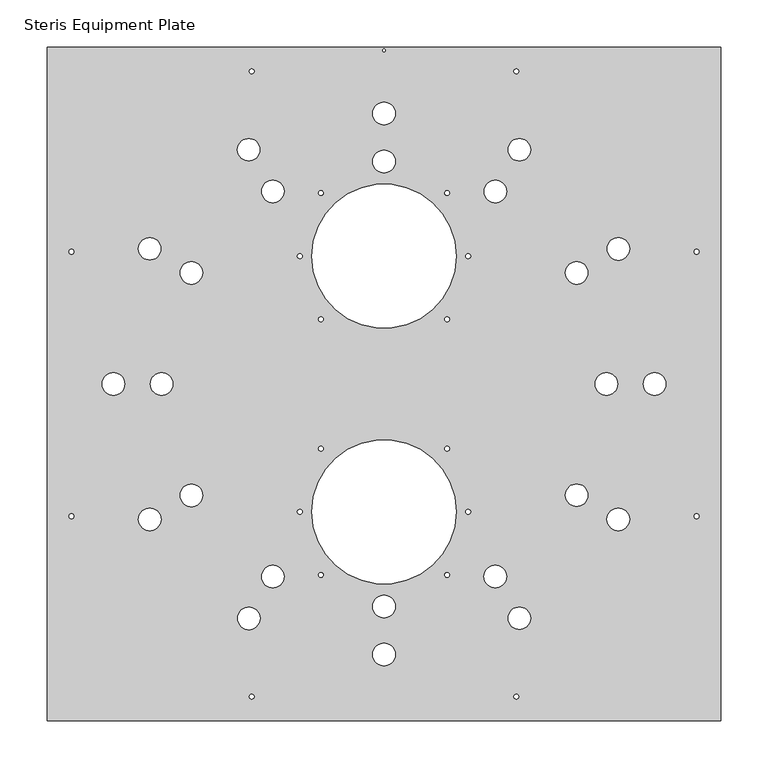
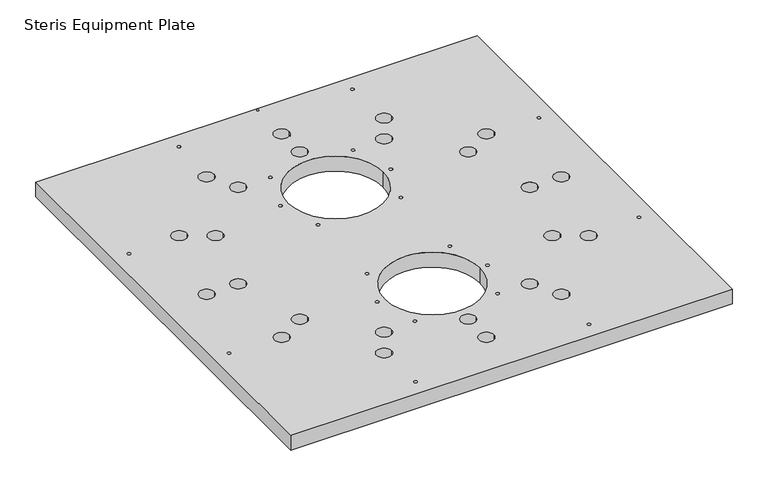
"""IFC4 building model written with IfcOpenShell, lengths in millimetres: fastener geometry, Steris Equipment Plate."""

from ifc_helpers import new_model, si_unit, point, frame_2d, origin, origin_with_axes, place, context, project, spatial, polyline, circle_curve, trimmed, segment, composite_curve, outline, extrude, source, transform, mapped, element, save


def steris_equipment_plate_685aff27(model_context):
    return source(origin(), model_context, "Body", "SweptSolid", [
        extrude(outline(polyline([(-355.6, 355.3440042), (355.6, 355.3440042), (355.6, -355.8559958), (-355.6, -355.8559958), (-355.6, 355.3440042)]), holes=[composite_curve([segment(trimmed(circle_curve(frame_2d((0.0, 352.1262602)), 1.5600354), [point((-1.5600354, 352.1262602))], [point((1.5600354, 352.1262602))], True, "CARTESIAN"), True, "CONTINUOUS"), segment(trimmed(circle_curve(frame_2d((0.0, 352.1262602)), 1.5600354), [point((1.5600354, 352.1262602))], [point((-1.5600354, 352.1262602))], True, "CARTESIAN"), True, "CONTINUOUS")], self_intersect=False), composite_curve([segment(trimmed(circle_curve(frame_2d((0.0, -135.2569958)), 76.2), [point((-76.2, -135.2569958))], [point((76.2, -135.2569958))], True, "CARTESIAN"), True, "CONTINUOUS"), segment(trimmed(circle_curve(frame_2d((0.0, -135.2569958)), 76.2), [point((76.2, -135.2569958))], [point((-76.2, -135.2569958))], True, "CARTESIAN"), True, "CONTINUOUS")], self_intersect=False), composite_curve([segment(trimmed(circle_curve(frame_2d((0.0, 134.7450042)), 76.2), [point((-76.2, 134.7450042))], [point((76.2, 134.7450042))], True, "CARTESIAN"), True, "CONTINUOUS"), segment(trimmed(circle_curve(frame_2d((0.0, 134.7450042)), 76.2), [point((76.2, 134.7450042))], [point((-76.2, 134.7450042))], True, "CARTESIAN"), True, "CONTINUOUS")], self_intersect=False), composite_curve([segment(trimmed(circle_curve(frame_2d((-139.7, 329.9440042)), 2.5527), [point((-142.2527, 329.9440042))], [point((-137.1473, 329.9440042))], True, "CARTESIAN"), True, "CONTINUOUS"), segment(trimmed(circle_curve(frame_2d((-139.7, 329.9440042)), 2.5527), [point((-137.1473, 329.9440042))], [point((-142.2527, 329.9440042))], True, "CARTESIAN"), True, "CONTINUOUS")], self_intersect=False), composite_curve([segment(trimmed(circle_curve(frame_2d((139.7, 329.9440042)), 2.5527), [point((137.1473, 329.9440042))], [point((142.2527, 329.9440042))], True, "CARTESIAN"), True, "CONTINUOUS"), segment(trimmed(circle_curve(frame_2d((139.7, 329.9440042)), 2.5527), [point((142.2527, 329.9440042))], [point((137.1473, 329.9440042))], True, "CARTESIAN"), True, "CONTINUOUS")], self_intersect=False), composite_curve([segment(trimmed(circle_curve(frame_2d((-330.2, 139.4440042)), 2.5527), [point((-332.7527, 139.4440042))], [point((-327.6473, 139.4440042))], True, "CARTESIAN"), True, "CONTINUOUS"), segment(trimmed(circle_curve(frame_2d((-330.2, 139.4440042)), 2.5527), [point((-327.6473, 139.4440042))], [point((-332.7527, 139.4440042))], True, "CARTESIAN"), True, "CONTINUOUS")], self_intersect=False), composite_curve([segment(trimmed(circle_curve(frame_2d((-330.2, -139.9559958)), 2.5527), [point((-332.7527, -139.9559958))], [point((-327.6473, -139.9559958))], True, "CARTESIAN"), True, "CONTINUOUS"), segment(trimmed(circle_curve(frame_2d((-330.2, -139.9559958)), 2.5527), [point((-327.6473, -139.9559958))], [point((-332.7527, -139.9559958))], True, "CARTESIAN"), True, "CONTINUOUS")], self_intersect=False), composite_curve([segment(trimmed(circle_curve(frame_2d((-139.7, -330.4559958)), 2.5527), [point((-142.2527, -330.4559958))], [point((-137.1473, -330.4559958))], True, "CARTESIAN"), True, "CONTINUOUS"), segment(trimmed(circle_curve(frame_2d((-139.7, -330.4559958)), 2.5527), [point((-137.1473, -330.4559958))], [point((-142.2527, -330.4559958))], True, "CARTESIAN"), True, "CONTINUOUS")], self_intersect=False), composite_curve([segment(trimmed(circle_curve(frame_2d((139.7, -330.4559958)), 2.5527), [point((137.1473, -330.4559958))], [point((142.2527, -330.4559958))], True, "CARTESIAN"), True, "CONTINUOUS"), segment(trimmed(circle_curve(frame_2d((139.7, -330.4559958)), 2.5527), [point((142.2527, -330.4559958))], [point((137.1473, -330.4559958))], True, "CARTESIAN"), True, "CONTINUOUS")], self_intersect=False), composite_curve([segment(trimmed(circle_curve(frame_2d((330.2, -139.9559958)), 2.5527), [point((327.6473, -139.9559958))], [point((332.7527, -139.9559958))], True, "CARTESIAN"), True, "CONTINUOUS"), segment(trimmed(circle_curve(frame_2d((330.2, -139.9559958)), 2.5527), [point((332.7527, -139.9559958))], [point((327.6473, -139.9559958))], True, "CARTESIAN"), True, "CONTINUOUS")], self_intersect=False), composite_curve([segment(trimmed(circle_curve(frame_2d((330.2, 139.4440042)), 2.5527), [point((327.6473, 139.4440042))], [point((332.7527, 139.4440042))], True, "CARTESIAN"), True, "CONTINUOUS"), segment(trimmed(circle_curve(frame_2d((330.2, 139.4440042)), 2.5527), [point((332.7527, 139.4440042))], [point((327.6473, 139.4440042))], True, "CARTESIAN"), True, "CONTINUOUS")], self_intersect=False), composite_curve([segment(trimmed(circle_curve(frame_2d((0.0, 285.4940042)), 11.90625), [point((-11.90625, 285.4940042))], [point((11.90625, 285.4940042))], True, "CARTESIAN"), True, "CONTINUOUS"), segment(trimmed(circle_curve(frame_2d((0.0, 285.4940042)), 11.90625), [point((11.90625, 285.4940042))], [point((-11.90625, 285.4940042))], True, "CARTESIAN"), True, "CONTINUOUS")], self_intersect=False), composite_curve([segment(trimmed(circle_curve(frame_2d((0.0, -286.0059958)), 11.90625), [point((-11.90625, -286.0059958))], [point((11.90625, -286.0059958))], True, "CARTESIAN"), True, "CONTINUOUS"), segment(trimmed(circle_curve(frame_2d((0.0, -286.0059958)), 11.90625), [point((11.90625, -286.0059958))], [point((-11.90625, -286.0059958))], True, "CARTESIAN"), True, "CONTINUOUS")], self_intersect=False), composite_curve([segment(trimmed(circle_curve(frame_2d((0.0, -235.2059958)), 11.90625), [point((-11.90625, -235.2059958))], [point((11.90625, -235.2059958))], True, "CARTESIAN"), True, "CONTINUOUS"), segment(trimmed(circle_curve(frame_2d((0.0, -235.2059958)), 11.90625), [point((11.90625, -235.2059958))], [point((-11.90625, -235.2059958))], True, "CARTESIAN"), True, "CONTINUOUS")], self_intersect=False), composite_curve([segment(trimmed(circle_curve(frame_2d((0.0, 234.6940042)), 11.90625), [point((-11.90625, 234.6940042))], [point((11.90625, 234.6940042))], True, "CARTESIAN"), True, "CONTINUOUS"), segment(trimmed(circle_curve(frame_2d((0.0, 234.6940042)), 11.90625), [point((11.90625, 234.6940042))], [point((-11.90625, 234.6940042))], True, "CARTESIAN"), True, "CONTINUOUS")], self_intersect=False), composite_curve([segment(trimmed(circle_curve(frame_2d((-234.95, -0.2559958)), 11.90625), [point((-246.85625, -0.2559958))], [point((-223.04375, -0.2559958))], True, "CARTESIAN"), True, "CONTINUOUS"), segment(trimmed(circle_curve(frame_2d((-234.95, -0.2559958)), 11.90625), [point((-223.04375, -0.2559958))], [point((-246.85625, -0.2559958))], True, "CARTESIAN"), True, "CONTINUOUS")], self_intersect=False), composite_curve([segment(trimmed(circle_curve(frame_2d((-285.75, -0.2559958)), 11.90625), [point((-297.65625, -0.2559958))], [point((-273.84375, -0.2559958))], True, "CARTESIAN"), True, "CONTINUOUS"), segment(trimmed(circle_curve(frame_2d((-285.75, -0.2559958)), 11.90625), [point((-273.84375, -0.2559958))], [point((-297.65625, -0.2559958))], True, "CARTESIAN"), True, "CONTINUOUS")], self_intersect=False), composite_curve([segment(trimmed(circle_curve(frame_2d((234.95, -0.2559958)), 11.90625), [point((223.04375, -0.2559958))], [point((246.85625, -0.2559958))], True, "CARTESIAN"), True, "CONTINUOUS"), segment(trimmed(circle_curve(frame_2d((234.95, -0.2559958)), 11.90625), [point((246.85625, -0.2559958))], [point((223.04375, -0.2559958))], True, "CARTESIAN"), True, "CONTINUOUS")], self_intersect=False), composite_curve([segment(trimmed(circle_curve(frame_2d((285.75, -0.2559958)), 11.90625), [point((273.84375, -0.2559958))], [point((297.65625, -0.2559958))], True, "CARTESIAN"), True, "CONTINUOUS"), segment(trimmed(circle_curve(frame_2d((285.75, -0.2559958)), 11.90625), [point((297.65625, -0.2559958))], [point((273.84375, -0.2559958))], True, "CARTESIAN"), True, "CONTINUOUS")], self_intersect=False), composite_curve([segment(trimmed(circle_curve(frame_2d((117.6143608, 203.1361491)), 11.90625), [point((105.7081108, 203.1361491))], [point((129.5206108, 203.1361491))], True, "CARTESIAN"), True, "CONTINUOUS"), segment(trimmed(circle_curve(frame_2d((117.6143608, 203.1361491)), 11.90625), [point((129.5206108, 203.1361491))], [point((105.7081108, 203.1361491))], True, "CARTESIAN"), True, "CONTINUOUS")], self_intersect=False), composite_curve([segment(trimmed(circle_curve(frame_2d((142.9548225, 247.1646606)), 11.90625), [point((131.0485725, 247.1646606))], [point((154.8610725, 247.1646606))], True, "CARTESIAN"), True, "CONTINUOUS"), segment(trimmed(circle_curve(frame_2d((142.9548225, 247.1646606)), 11.90625), [point((154.8610725, 247.1646606))], [point((131.0485725, 247.1646606))], True, "CARTESIAN"), True, "CONTINUOUS")], self_intersect=False), composite_curve([segment(trimmed(circle_curve(frame_2d((-117.4481428, -203.7441681)), 11.90625), [point((-129.3543928, -203.7441681))], [point((-105.5418928, -203.7441681))], True, "CARTESIAN"), True, "CONTINUOUS"), segment(trimmed(circle_curve(frame_2d((-117.4481428, -203.7441681)), 11.90625), [point((-105.5418928, -203.7441681))], [point((-129.3543928, -203.7441681))], True, "CARTESIAN"), True, "CONTINUOUS")], self_intersect=False), composite_curve([segment(trimmed(circle_curve(frame_2d((-142.7805601, -247.7772559)), 11.90625), [point((-154.6868101, -247.7772559))], [point((-130.8743101, -247.7772559))], True, "CARTESIAN"), True, "CONTINUOUS"), segment(trimmed(circle_curve(frame_2d((-142.7805601, -247.7772559)), 11.90625), [point((-130.8743101, -247.7772559))], [point((-154.6868101, -247.7772559))], True, "CARTESIAN"), True, "CONTINUOUS")], self_intersect=False), composite_curve([segment(trimmed(circle_curve(frame_2d((-203.3879312, -117.8776432)), 11.90625), [point((-215.2941812, -117.8776432))], [point((-191.4816812, -117.8776432))], True, "CARTESIAN"), True, "CONTINUOUS"), segment(trimmed(circle_curve(frame_2d((-203.3879312, -117.8776432)), 11.90625), [point((-191.4816812, -117.8776432))], [point((-215.2941812, -117.8776432))], True, "CARTESIAN"), True, "CONTINUOUS")], self_intersect=False), composite_curve([segment(trimmed(circle_curve(frame_2d((-247.4108089, -143.2278607)), 11.90625), [point((-259.3170589, -143.2278607))], [point((-235.5045589, -143.2278607))], True, "CARTESIAN"), True, "CONTINUOUS"), segment(trimmed(circle_curve(frame_2d((-247.4108089, -143.2278607)), 11.90625), [point((-235.5045589, -143.2278607))], [point((-259.3170589, -143.2278607))], True, "CARTESIAN"), True, "CONTINUOUS")], self_intersect=False), composite_curve([segment(trimmed(circle_curve(frame_2d((-203.4829086, 117.2012662)), 11.90625), [point((-215.3891586, 117.2012662))], [point((-191.5766586, 117.2012662))], True, "CARTESIAN"), True, "CONTINUOUS"), segment(trimmed(circle_curve(frame_2d((-203.4829086, 117.2012662)), 11.90625), [point((-191.5766586, 117.2012662))], [point((-215.3891586, 117.2012662))], True, "CARTESIAN"), True, "CONTINUOUS")], self_intersect=False), composite_curve([segment(trimmed(circle_curve(frame_2d((-247.4938817, 142.5720162)), 11.90625), [point((-259.4001317, 142.5720162))], [point((-235.5876317, 142.5720162))], True, "CARTESIAN"), True, "CONTINUOUS"), segment(trimmed(circle_curve(frame_2d((-247.4938817, 142.5720162)), 11.90625), [point((-235.5876317, 142.5720162))], [point((-259.4001317, 142.5720162))], True, "CARTESIAN"), True, "CONTINUOUS")], self_intersect=False), composite_curve([segment(trimmed(circle_curve(frame_2d((-142.9119511, 247.1894259)), 11.90625), [point((-154.8182011, 247.1894259))], [point((-131.0057011, 247.1894259))], True, "CARTESIAN"), True, "CONTINUOUS"), segment(trimmed(circle_curve(frame_2d((-142.9119511, 247.1894259)), 11.90625), [point((-131.0057011, 247.1894259))], [point((-154.8182011, 247.1894259))], True, "CARTESIAN"), True, "CONTINUOUS")], self_intersect=False), composite_curve([segment(trimmed(circle_curve(frame_2d((-117.4383357, 203.2378365)), 11.90625), [point((-129.3445857, 203.2378365))], [point((-105.5320857, 203.2378365))], True, "CARTESIAN"), True, "CONTINUOUS"), segment(trimmed(circle_curve(frame_2d((-117.4383357, 203.2378365)), 11.90625), [point((-105.5320857, 203.2378365))], [point((-129.3445857, 203.2378365))], True, "CARTESIAN"), True, "CONTINUOUS")], self_intersect=False), composite_curve([segment(trimmed(circle_curve(frame_2d((203.501694, 117.1687163)), 11.90625), [point((191.595444, 117.1687163))], [point((215.407944, 117.1687163))], True, "CARTESIAN"), True, "CONTINUOUS"), segment(trimmed(circle_curve(frame_2d((203.501694, 117.1687163)), 11.90625), [point((215.407944, 117.1687163))], [point((191.595444, 117.1687163))], True, "CARTESIAN"), True, "CONTINUOUS")], self_intersect=False), composite_curve([segment(trimmed(circle_curve(frame_2d((247.5075127, 142.5483936)), 11.90625), [point((235.6012627, 142.5483936))], [point((259.4137627, 142.5483936))], True, "CARTESIAN"), True, "CONTINUOUS"), segment(trimmed(circle_curve(frame_2d((247.5075127, 142.5483936)), 11.90625), [point((259.4137627, 142.5483936))], [point((235.6012627, 142.5483936))], True, "CARTESIAN"), True, "CONTINUOUS")], self_intersect=False), composite_curve([segment(trimmed(circle_curve(frame_2d((247.4291164, -143.1961751)), 11.90625), [point((235.5228664, -143.1961751))], [point((259.3353664, -143.1961751))], True, "CARTESIAN"), True, "CONTINUOUS"), segment(trimmed(circle_curve(frame_2d((247.4291164, -143.1961751)), 11.90625), [point((259.3353664, -143.1961751))], [point((235.5228664, -143.1961751))], True, "CARTESIAN"), True, "CONTINUOUS")], self_intersect=False), composite_curve([segment(trimmed(circle_curve(frame_2d((203.4617306, -117.749939)), 11.90625), [point((191.5554806, -117.749939))], [point((215.3679806, -117.749939))], True, "CARTESIAN"), True, "CONTINUOUS"), segment(trimmed(circle_curve(frame_2d((203.4617306, -117.749939)), 11.90625), [point((215.3679806, -117.749939))], [point((191.5554806, -117.749939))], True, "CARTESIAN"), True, "CONTINUOUS")], self_intersect=False), composite_curve([segment(trimmed(circle_curve(frame_2d((117.4986505, -203.715008)), 11.90625), [point((105.5924005, -203.715008))], [point((129.4049005, -203.715008))], True, "CARTESIAN"), True, "CONTINUOUS"), segment(trimmed(circle_curve(frame_2d((117.4986505, -203.715008)), 11.90625), [point((129.4049005, -203.715008))], [point((105.5924005, -203.715008))], True, "CARTESIAN"), True, "CONTINUOUS")], self_intersect=False), composite_curve([segment(trimmed(circle_curve(frame_2d((142.9667903, -247.6697371)), 11.90625), [point((131.0605403, -247.6697371))], [point((154.8730403, -247.6697371))], True, "CARTESIAN"), True, "CONTINUOUS"), segment(trimmed(circle_curve(frame_2d((142.9667903, -247.6697371)), 11.90625), [point((154.8730403, -247.6697371))], [point((131.0605403, -247.6697371))], True, "CARTESIAN"), True, "CONTINUOUS")], self_intersect=False), composite_curve([segment(trimmed(circle_curve(frame_2d((-66.675, -201.9319958)), 2.5527), [point((-69.2277, -201.9319958))], [point((-64.1223, -201.9319958))], True, "CARTESIAN"), True, "CONTINUOUS"), segment(trimmed(circle_curve(frame_2d((-66.675, -201.9319958)), 2.5527), [point((-64.1223, -201.9319958))], [point((-69.2277, -201.9319958))], True, "CARTESIAN"), True, "CONTINUOUS")], self_intersect=False), composite_curve([segment(trimmed(circle_curve(frame_2d((66.675, -201.9319958)), 2.5527), [point((64.1223, -201.9319958))], [point((69.2277, -201.9319958))], True, "CARTESIAN"), True, "CONTINUOUS"), segment(trimmed(circle_curve(frame_2d((66.675, -201.9319958)), 2.5527), [point((69.2277, -201.9319958))], [point((64.1223, -201.9319958))], True, "CARTESIAN"), True, "CONTINUOUS")], self_intersect=False), composite_curve([segment(trimmed(circle_curve(frame_2d((88.9, -135.2569958)), 2.5527), [point((86.3473, -135.2569958))], [point((91.4527, -135.2569958))], True, "CARTESIAN"), True, "CONTINUOUS"), segment(trimmed(circle_curve(frame_2d((88.9, -135.2569958)), 2.5527), [point((91.4527, -135.2569958))], [point((86.3473, -135.2569958))], True, "CARTESIAN"), True, "CONTINUOUS")], self_intersect=False), composite_curve([segment(trimmed(circle_curve(frame_2d((-88.9, -135.2569958)), 2.5527), [point((-91.4527, -135.2569958))], [point((-86.3473, -135.2569958))], True, "CARTESIAN"), True, "CONTINUOUS"), segment(trimmed(circle_curve(frame_2d((-88.9, -135.2569958)), 2.5527), [point((-86.3473, -135.2569958))], [point((-91.4527, -135.2569958))], True, "CARTESIAN"), True, "CONTINUOUS")], self_intersect=False), composite_curve([segment(trimmed(circle_curve(frame_2d((-66.675, -68.5819958)), 2.5527), [point((-69.2277, -68.5819958))], [point((-64.1223, -68.5819958))], True, "CARTESIAN"), True, "CONTINUOUS"), segment(trimmed(circle_curve(frame_2d((-66.675, -68.5819958)), 2.5527), [point((-64.1223, -68.5819958))], [point((-69.2277, -68.5819958))], True, "CARTESIAN"), True, "CONTINUOUS")], self_intersect=False), composite_curve([segment(trimmed(circle_curve(frame_2d((66.675, -68.5819958)), 2.5527), [point((64.1223, -68.5819958))], [point((69.2277, -68.5819958))], True, "CARTESIAN"), True, "CONTINUOUS"), segment(trimmed(circle_curve(frame_2d((66.675, -68.5819958)), 2.5527), [point((69.2277, -68.5819958))], [point((64.1223, -68.5819958))], True, "CARTESIAN"), True, "CONTINUOUS")], self_intersect=False), composite_curve([segment(trimmed(circle_curve(frame_2d((66.675, 68.0700042)), 2.5527), [point((64.1223, 68.0700042))], [point((69.2277, 68.0700042))], True, "CARTESIAN"), True, "CONTINUOUS"), segment(trimmed(circle_curve(frame_2d((66.675, 68.0700042)), 2.5527), [point((69.2277, 68.0700042))], [point((64.1223, 68.0700042))], True, "CARTESIAN"), True, "CONTINUOUS")], self_intersect=False), composite_curve([segment(trimmed(circle_curve(frame_2d((-66.675, 68.0700042)), 2.5527), [point((-69.2277, 68.0700042))], [point((-64.1223, 68.0700042))], True, "CARTESIAN"), True, "CONTINUOUS"), segment(trimmed(circle_curve(frame_2d((-66.675, 68.0700042)), 2.5527), [point((-64.1223, 68.0700042))], [point((-69.2277, 68.0700042))], True, "CARTESIAN"), True, "CONTINUOUS")], self_intersect=False), composite_curve([segment(trimmed(circle_curve(frame_2d((-88.9, 134.7450042)), 2.5527), [point((-91.4527, 134.7450042))], [point((-86.3473, 134.7450042))], True, "CARTESIAN"), True, "CONTINUOUS"), segment(trimmed(circle_curve(frame_2d((-88.9, 134.7450042)), 2.5527), [point((-86.3473, 134.7450042))], [point((-91.4527, 134.7450042))], True, "CARTESIAN"), True, "CONTINUOUS")], self_intersect=False), composite_curve([segment(trimmed(circle_curve(frame_2d((88.9, 134.7450042)), 2.5527), [point((86.3473, 134.7450042))], [point((91.4527, 134.7450042))], True, "CARTESIAN"), True, "CONTINUOUS"), segment(trimmed(circle_curve(frame_2d((88.9, 134.7450042)), 2.5527), [point((91.4527, 134.7450042))], [point((86.3473, 134.7450042))], True, "CARTESIAN"), True, "CONTINUOUS")], self_intersect=False), composite_curve([segment(trimmed(circle_curve(frame_2d((66.675, 201.4200042)), 2.5527), [point((64.1223, 201.4200042))], [point((69.2277, 201.4200042))], True, "CARTESIAN"), True, "CONTINUOUS"), segment(trimmed(circle_curve(frame_2d((66.675, 201.4200042)), 2.5527), [point((69.2277, 201.4200042))], [point((64.1223, 201.4200042))], True, "CARTESIAN"), True, "CONTINUOUS")], self_intersect=False), composite_curve([segment(trimmed(circle_curve(frame_2d((-66.675, 201.4200042)), 2.5527), [point((-69.2277, 201.4200042))], [point((-64.1223, 201.4200042))], True, "CARTESIAN"), True, "CONTINUOUS"), segment(trimmed(circle_curve(frame_2d((-66.675, 201.4200042)), 2.5527), [point((-64.1223, 201.4200042))], [point((-69.2277, 201.4200042))], True, "CARTESIAN"), True, "CONTINUOUS")], self_intersect=False)]), origin_with_axes(), (0.0, 0.0, 1.0), 25.4),
    ])


if __name__ == "__main__":
    model = new_model("IFC4")
    model_context = context("Model", 3, world=origin())
    ifc_project = project(units=[si_unit("LENGTHUNIT", "METRE", prefix="MILLI")], contexts=[model_context])
    site = spatial("IfcSite", under=ifc_project)
    building = spatial("IfcBuilding", under=site)
    placement = place(None, origin())
    steris_equipment_plate_shape = steris_equipment_plate_685aff27(model_context)
    element("IfcFastener", 1, ObjectType="Steris Equipment Plate", at=placement, inside=building, context=model_context, shape_type="MappedRepresentation", body=[
        mapped(steris_equipment_plate_shape, transform((0.0, 0.0, 0.0), x_axis=(1.0, 0.0, 0.0), y_axis=(0.0, 1.0, 0.0), z_axis=(0.0, 0.0, 1.0))),
    ])
    save(model, "model.ifc")
